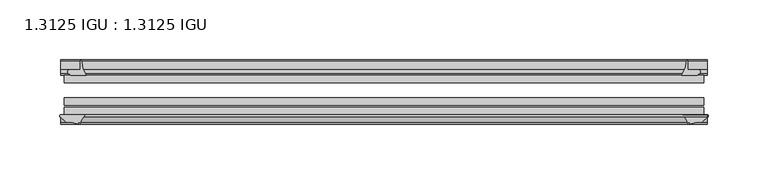
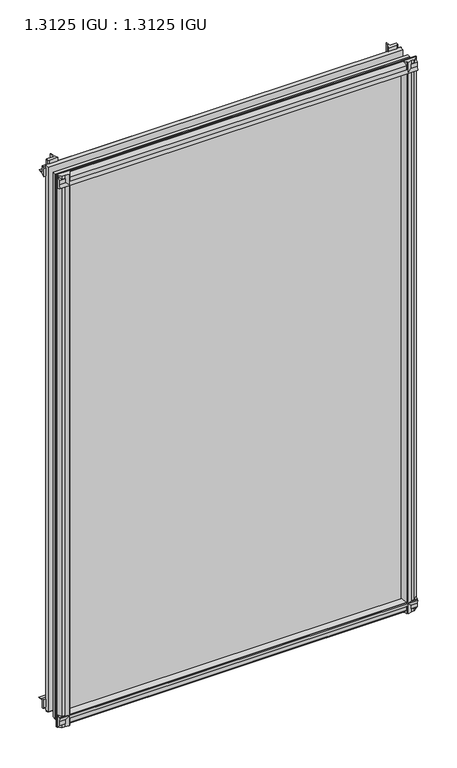
"""IFC4 building model written with IfcOpenShell, lengths in millimetres: plate geometry, 1.3125 IGU : 1.3125 IGU."""

from ifc_helpers import new_model, si_unit, point, frame, frame_2d, origin, place, context, project, spatial, polyline, circle_curve, trimmed, segment, composite_curve, outline, extrude, source, transform, mapped, element, save


def plate_1_3125_igu_1_3125_igu_122b0382(model_context):
    return source(origin(), model_context, "Body", "SweptSolid", [
        extrude(outline(composite_curve([segment(polyline([(-22.094825, 0.0), (-22.094825, -9.916835)]), True, "CONTINUOUS"), segment(trimmed(circle_curve(frame_2d((-23.669625, -9.916835)), 1.5748), [point((-22.094825, -9.916835))], [point((-24.8706146, -10.9354709))], False, "CARTESIAN"), True, "CONTINUOUS"), segment(polyline([(-24.8706146, -10.9354709), (-26.590625, -8.9075484), (-26.590625, 4.0446407)]), True, "CONTINUOUS"), segment(trimmed(circle_curve(frame_2d((-7.1839113, 38.4138813)), 39.4698015), [point((-26.590625, 4.0446407))], [point((-19.4504626, 0.8985917))], True, "CARTESIAN"), True, "CONTINUOUS"), segment(polyline([(-19.4504626, 0.8985917), (-13.3986538, 0.0), (-22.094825, 0.0)]), True, "CONTINUOUS")], self_intersect=False)), frame((-271.0684763, 0.0, 0.0), z_axis=(1.0, 0.0, 0.0), x_axis=(0.0, 1.0, 0.0)), (0.0, 0.0, 1.0), 542.1369525),
        extrude(outline(composite_curve([segment(trimmed(circle_curve(frame_2d((-67.8737919, 9.6311377)), 10.5748618), [point((-66.062225, -0.7874))], [point((-59.712225, 2.9068141))], True, "CARTESIAN"), True, "CONTINUOUS"), segment(polyline([(-59.712225, 2.9068141), (-59.712225, -18.0442511)]), True, "CONTINUOUS"), segment(trimmed(circle_curve(frame_2d((-60.728225, -18.0442511)), 1.016), [point((-59.712225, -18.0442511))], [point((-61.4950672, -18.7107412))], False, "CARTESIAN"), True, "CONTINUOUS"), segment(polyline([(-61.4950672, -18.7107412), (-66.062225, -13.4559149), (-66.062225, -7.4520336), (-67.637025, -1.5748), (-66.062225, -1.5748), (-66.062225, -0.7874)]), True, "CONTINUOUS")], self_intersect=False)), frame((-271.0684763, 0.0, 0.0), z_axis=(1.0, 0.0, 0.0), x_axis=(0.0, 1.0, 0.0)), (0.0, 0.0, 1.0), 542.1369525),
        extrude(outline(composite_curve([segment(polyline([(-66.062225, 857.9598774), (-61.4950672, 863.2147037)]), True, "CONTINUOUS"), segment(trimmed(circle_curve(frame_2d((-60.728225, 862.5482136)), 1.016), [point((-61.4950672, 863.2147037))], [point((-59.712225, 862.5482136))], False, "CARTESIAN"), True, "CONTINUOUS"), segment(polyline([(-59.712225, 862.5482136), (-59.712225, 842.0230921)]), True, "CONTINUOUS"), segment(trimmed(circle_curve(frame_2d((-66.4211348, 836.3932283)), 8.7581298), [point((-59.712225, 842.0230921))], [point((-66.062225, 845.1440009))], True, "CARTESIAN"), True, "CONTINUOUS"), segment(polyline([(-66.062225, 845.1440009), (-66.062225, 846.0787625), (-67.637025, 846.0787625), (-66.062225, 851.9559961), (-66.062225, 857.9598774)]), True, "CONTINUOUS")], self_intersect=False)), frame((-271.0684763, 0.0, 0.0), z_axis=(1.0, 0.0, 0.0), x_axis=(0.0, 1.0, 0.0)), (0.0, 0.0, 1.0), 542.1369525),
        extrude(outline(composite_curve([segment(polyline([(-26.590625, 840.4593218), (-26.590625, 853.4115109), (-24.8706146, 855.4394334)]), True, "CONTINUOUS"), segment(trimmed(circle_curve(frame_2d((-23.669625, 854.4207975)), 1.5748), [point((-24.8706146, 855.4394334))], [point((-22.094825, 854.4207975))], False, "CARTESIAN"), True, "CONTINUOUS"), segment(polyline([(-22.094825, 854.4207975), (-22.094825, 844.55), (-14.5883882, 844.55), (-18.3240316, 843.7633459)]), True, "CONTINUOUS"), segment(trimmed(circle_curve(frame_2d((-16.4585419, 831.134903)), 12.7654855), [point((-18.3240316, 843.7633459))], [point((-20.5939581, 843.2119869))], True, "CARTESIAN"), True, "CONTINUOUS"), segment(trimmed(circle_curve(frame_2d((-7.1839113, 806.0900812)), 39.4698015), [point((-20.5939581, 843.2119869))], [point((-26.590625, 840.4593218))], True, "CARTESIAN"), True, "CONTINUOUS")], self_intersect=False)), frame((-271.0684763, 0.0, 0.0), z_axis=(1.0, 0.0, 0.0), x_axis=(0.0, 1.0, 0.0)), (0.0, 0.0, 1.0), 542.1369525),
        extrude(outline(composite_curve([segment(polyline([(262.9075484, -26.590625), (249.9553593, -26.590625)]), True, "CONTINUOUS"), segment(trimmed(circle_curve(frame_2d((215.5861187, -7.1839113)), 39.4698015), [point((249.9553593, -26.590625))], [point((253.1014083, -19.4504626))], True, "CARTESIAN"), True, "CONTINUOUS"), segment(polyline([(253.1014083, -19.4504626), (253.7472834, -15.1006424)]), True, "CONTINUOUS"), segment(trimmed(circle_curve(frame_2d((254.5267687, -15.2120036)), 0.7874), [point((253.7472834, -15.1006424))], [point((254.79375, -14.4712474))], False, "CARTESIAN"), True, "CONTINUOUS"), segment(polyline([(254.79375, -14.4712474), (254.79375, -22.094825), (263.916835, -22.094825)]), True, "CONTINUOUS"), segment(trimmed(circle_curve(frame_2d((263.916835, -23.669625)), 1.5748), [point((263.916835, -22.094825))], [point((264.9354709, -24.8706146))], False, "CARTESIAN"), True, "CONTINUOUS"), segment(polyline([(264.9354709, -24.8706146), (262.9075484, -26.590625)]), True, "CONTINUOUS")], self_intersect=False)), frame((0.0, 0.0, -18.2728511), z_axis=(0.0, 0.0, 1.0), x_axis=(1.0, 0.0, 0.0)), (0.0, 0.0, 1.0), 882.1352548),
        extrude(outline(composite_curve([segment(polyline([(250.6489748, -59.712225), (271.2094015, -59.712225)]), True, "CONTINUOUS"), segment(trimmed(circle_curve(frame_2d((271.2094015, -60.728225)), 1.016), [point((271.2094015, -59.712225))], [point((271.8758916, -61.4950672))], False, "CARTESIAN"), True, "CONTINUOUS"), segment(polyline([(271.8758916, -61.4950672), (266.6210653, -66.062225), (262.6458336, -66.062225), (256.7686, -67.637025), (256.7686, -66.062225), (255.6782443, -66.062225)]), True, "CONTINUOUS"), segment(trimmed(circle_curve(frame_2d((255.6782443, -66.849625)), 0.7874), [point((255.6782443, -66.062225))], [point((254.9005385, -66.7264485))], True, "CARTESIAN"), True, "CONTINUOUS"), segment(trimmed(circle_curve(frame_2d((241.8352219, -69.8501675)), 13.4335445), [point((254.9005385, -66.7264485))], [point((250.6489748, -59.712225))], True, "CARTESIAN"), True, "CONTINUOUS")], self_intersect=False)), frame((0.0, 0.0, -18.2728511), z_axis=(0.0, 0.0, 1.0), x_axis=(1.0, 0.0, 0.0)), (0.0, 0.0, 1.0), 882.1352548),
        extrude(outline(composite_curve([segment(polyline([(-253.7472834, -15.1006424), (-253.2728683, -18.2957187)]), True, "CONTINUOUS"), segment(trimmed(circle_curve(frame_2d((-240.7105951, -16.4304327)), 12.7), [point((-253.2728683, -18.2957187))], [point((-252.7241235, -20.5493081))], True, "CARTESIAN"), True, "CONTINUOUS"), segment(trimmed(circle_curve(frame_2d((-215.5861187, -7.1839113)), 39.4698015), [point((-252.7241235, -20.5493081))], [point((-249.9553593, -26.590625))], True, "CARTESIAN"), True, "CONTINUOUS"), segment(polyline([(-249.9553593, -26.590625), (-262.9075484, -26.590625), (-264.9354709, -24.8706146)]), True, "CONTINUOUS"), segment(trimmed(circle_curve(frame_2d((-263.916835, -23.669625)), 1.5748), [point((-264.9354709, -24.8706146))], [point((-263.916835, -22.094825))], False, "CARTESIAN"), True, "CONTINUOUS"), segment(polyline([(-263.916835, -22.094825), (-254.762, -22.094825), (-254.762, -14.4605617)]), True, "CONTINUOUS"), segment(trimmed(circle_curve(frame_2d((-254.5267687, -15.2120036)), 0.7874), [point((-254.762, -14.4605617))], [point((-253.7472834, -15.1006424))], False, "CARTESIAN"), True, "CONTINUOUS")], self_intersect=False)), frame((0.0, 0.0, -18.2728511), z_axis=(0.0, 0.0, 1.0), x_axis=(1.0, 0.0, 0.0)), (0.0, 0.0, 1.0), 882.4847648),
        extrude(outline(composite_curve([segment(trimmed(circle_curve(frame_2d((-241.8352219, -69.8501675)), 13.4335445), [point((-250.6489748, -59.712225))], [point((-254.9005385, -66.7264485))], True, "CARTESIAN"), True, "CONTINUOUS"), segment(trimmed(circle_curve(frame_2d((-255.6782443, -66.849625)), 0.7874), [point((-254.9005385, -66.7264485))], [point((-255.6782443, -66.062225))], True, "CARTESIAN"), True, "CONTINUOUS"), segment(polyline([(-255.6782443, -66.062225), (-256.7686, -66.062225), (-256.7686, -67.637025), (-262.6458336, -66.062225), (-266.6210653, -66.062225), (-271.8758916, -61.4950672)]), True, "CONTINUOUS"), segment(trimmed(circle_curve(frame_2d((-271.2094015, -60.728225)), 1.016), [point((-271.8758916, -61.4950672))], [point((-271.2094015, -59.712225))], False, "CARTESIAN"), True, "CONTINUOUS"), segment(polyline([(-271.2094015, -59.712225), (-250.6489748, -59.712225)]), True, "CONTINUOUS")], self_intersect=False)), frame((0.0, 0.0, -18.2728511), z_axis=(0.0, 0.0, 1.0), x_axis=(1.0, 0.0, 0.0)), (0.0, 0.0, 1.0), 882.4847648),
        extrude(outline(polyline([(-268.2875, -26.590625), (268.2875, -26.590625), (268.2875, -32.889825), (-268.2875, -32.889825), (-268.2875, -26.590625)])), frame((0.0, 0.0, -12.8524), z_axis=(0.0, 0.0, 1.0), x_axis=(1.0, 0.0, 0.0)), (0.0, 0.0, 1.0), 871.6438625),
        extrude(outline(polyline([(268.2875, -45.589825), (268.2875, -51.889025), (-268.2875, -51.889025), (-268.2875, -45.589825), (268.2875, -45.589825)])), frame((0.0, 0.0, -12.8524), z_axis=(0.0, 0.0, 1.0), x_axis=(1.0, 0.0, 0.0)), (0.0, 0.0, 1.0), 871.6438625),
        extrude(outline(polyline([(268.2875, -53.413025), (268.2875, -59.712225), (-268.2875, -59.712225), (-268.2875, -53.413025), (268.2875, -53.413025)])), frame((0.0, 0.0, -12.8524), z_axis=(0.0, 0.0, 1.0), x_axis=(1.0, 0.0, 0.0)), (0.0, 0.0, 1.0), 871.6438625),
    ])


if __name__ == "__main__":
    model = new_model("IFC4")
    model_context = context("Model", 3, world=origin())
    ifc_project = project(units=[si_unit("LENGTHUNIT", "METRE", prefix="MILLI")], contexts=[model_context])
    site = spatial("IfcSite", under=ifc_project)
    building = spatial("IfcBuilding", under=site)
    placement = place(None, origin())
    plate_1_3125_igu_1_3125_igu_shape = plate_1_3125_igu_1_3125_igu_122b0382(model_context)
    element("IfcPlate", 1, ObjectType="1.3125 IGU : 1.3125 IGU", at=placement, inside=building, context=model_context, shape_type="MappedRepresentation", body=[
        mapped(plate_1_3125_igu_1_3125_igu_shape, transform((0.0, 0.0, 0.0), x_axis=(1.0, 0.0, 0.0), y_axis=(0.0, 1.0, 0.0), z_axis=(0.0, 0.0, 1.0))),
    ])
    save(model, "model.ifc")
